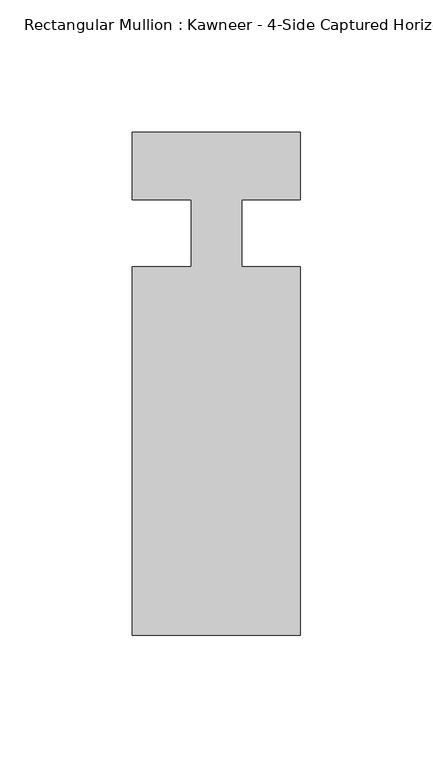
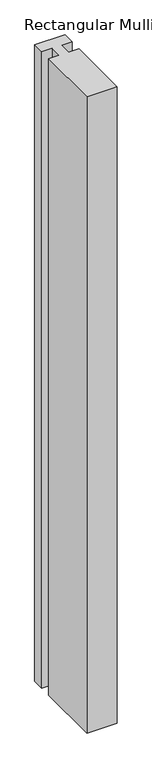
"""IFC4 building model written with IfcOpenShell, lengths in millimetres: member geometry."""

from ifc_helpers import new_model, si_unit, frame, origin, place, context, project, spatial, polyline, outline, extrude, source, transform, mapped, element, save


def member_156ff4bc(model_context):
    return source(origin(), model_context, "Body", "SweptSolid", [
        extrude(outline(polyline([(-9.525, 12.7), (-31.75, 12.7), (-31.75, 38.1), (31.75, 38.1), (31.75, 12.7), (9.5251132, 12.7), (9.5251132, -12.7), (31.75, -12.7), (31.75, -151.892), (-31.75, -151.892), (-31.75, -12.7), (-9.525, -12.7), (-9.525, 12.7)])), frame((0.0, 0.0, -1411.8784605), z_axis=(0.0, 0.0, 1.0), x_axis=(1.0, 0.0, 0.0)), (0.0, 0.0, 1.0), 1411.8784605),
    ])


if __name__ == "__main__":
    model = new_model("IFC4")
    model_context = context("Model", 3, world=origin())
    ifc_project = project(units=[si_unit("LENGTHUNIT", "METRE", prefix="MILLI")], contexts=[model_context])
    site = spatial("IfcSite", under=ifc_project)
    building = spatial("IfcBuilding", under=site)
    placement = place(None, origin())
    member_shape = member_156ff4bc(model_context)
    element("IfcMember", 1, ObjectType="Rectangular Mullion : Kawneer - 4-Side Captured Horizontal Mullion - 7 1/2\"", at=placement, inside=building, context=model_context, shape_type="MappedRepresentation", body=[
        mapped(member_shape, transform((0.0, 0.0, 0.0), x_axis=(1.0, 0.0, 0.0), y_axis=(0.0, 1.0, 0.0), z_axis=(0.0, 0.0, 1.0))),
    ])
    save(model, "model.ifc")
